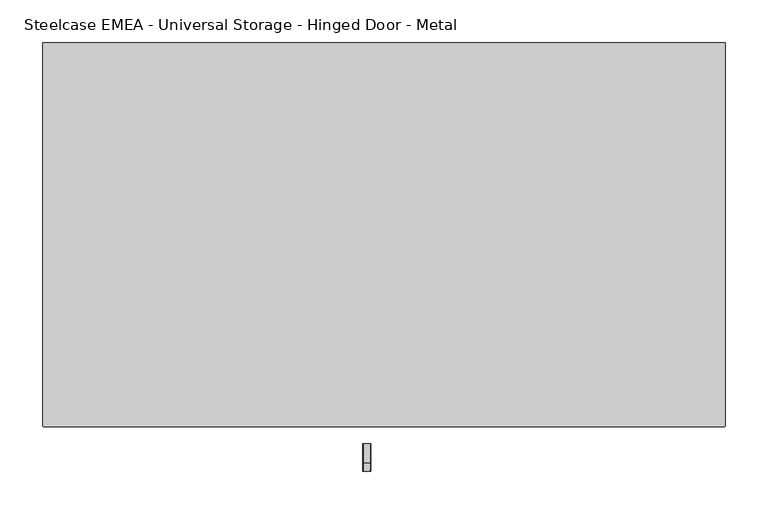
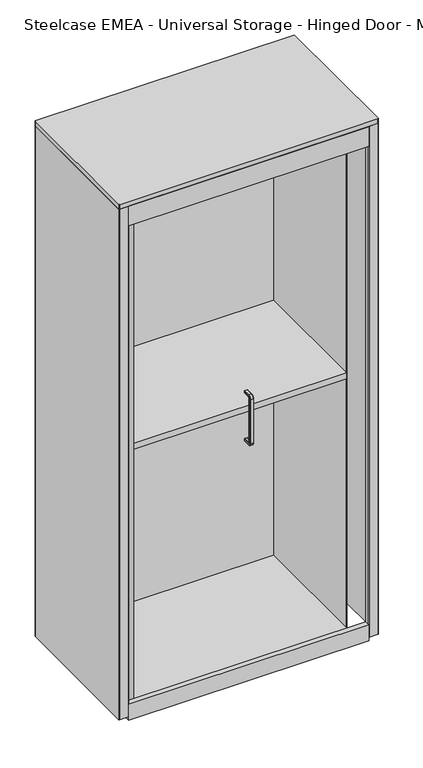
"""IFC4 building model written with IfcOpenShell, lengths in millimetres: furniture geometry, Steelcase EMEA - Universal Storage - Hinged Door - Metal."""

from ifc_helpers import new_model, si_unit, point, frame, frame_2d, origin, place, context, project, spatial, polyline, circle_curve, ellipse_curve, trimmed, segment, composite_curve, outline, extrude, source, transform, mapped, element, save
from ifc_brep_helpers import plane_surface, cylinder_surface, revolved_surface, advanced_brep


def steelcase_emea_universal_storage_hinged_door_metal_78cfa5af(model_context):
    return source(origin(), model_context, "Body", "SolidModel", [
        advanced_brep(
        [(-17.2414116, -245.0, 966.95), (-23.1585884, -245.0, 966.95), (-25.1585884, -245.0, 968.95), (-25.1585884, -245.0, 973.9674524), (-24.1587407, -245.0, 974.95), (-16.2412593, -245.0, 974.95), (-15.2414116, -245.0, 973.9674524), (-15.2414116, -245.0, 968.95), (-17.2414116, -267.0318401, 966.95), (-23.1585884, -267.0318401, 966.95), (-25.1585884, -267.0318401, 973.9674524), (-24.1587407, -267.0318401, 974.95), (-16.2412593, -267.0318401, 974.95), (-15.2414116, -267.0318401, 973.9674524), (-23.1585884, -269.0318401, 964.95), (-17.2414116, -269.0318401, 964.95), (-24.1587407, -277.0318401, 964.95), (-25.1585884, -276.0492925, 964.95), (-16.2412593, -277.0318401, 964.95), (-15.2414116, -276.0492925, 964.95), (-17.2414116, -269.0318401, 820.8885036), (-23.1585884, -269.0318401, 820.8885036), (-25.1585884, -276.0492925, 820.8885036), (-24.1587407, -277.0318401, 820.8885036), (-16.2412593, -277.0318401, 820.8885036), (-15.2414116, -276.0492925, 820.8885036), (-23.1585884, -267.0318401, 818.8885036), (-17.2414116, -267.0318401, 818.8885036), (-24.1587407, -267.0318401, 810.8885036), (-25.1585884, -267.0318401, 811.8710512), (-16.2412593, -267.0318401, 810.8885036), (-15.2414116, -267.0318401, 811.8710512), (-17.2414116, -245.0, 818.8885036), (-15.2414116, -245.0, 816.8885036), (-15.2414116, -245.0, 811.8710512), (-16.2412593, -245.0, 810.8885036), (-24.1587407, -245.0, 810.8885036), (-25.1585884, -245.0, 811.8710512), (-25.1585884, -245.0, 816.8885036), (-23.1585884, -245.0, 818.8885036), (-25.1585884, -267.0318401, 968.95), (-25.1585884, -271.0318401, 964.95), (-25.1585884, -271.0318401, 820.8885036), (-25.1585884, -267.0318401, 816.8885036), (-15.2414116, -267.0318401, 816.8885036), (-15.2414116, -271.0318401, 820.8885036), (-15.2414116, -271.0318401, 964.95), (-15.2414116, -267.0318401, 968.95)],
        [
            (0, 1),
            (1, 2, circle_curve(frame((-23.1585884, -245.0, 968.95), z_axis=(0.0, 1.0, 0.0), x_axis=(-1.0, 0.0, 0.0)), 2.0)),
            (2, 3),
            (3, 4, circle_curve(frame((-24.1587407, -245.0, 973.95), z_axis=(0.0, 1.0, 0.0), x_axis=(-1.0, 0.0, 0.0)), 1.0)),
            (4, 5),
            (5, 6, circle_curve(frame((-16.2412593, -245.0, 973.95), z_axis=(0.0, 1.0, 0.0), x_axis=(-1.0, 0.0, 0.0)), 1.0)),
            (6, 7),
            (7, 0, circle_curve(frame((-17.2414116, -245.0, 968.95), z_axis=(0.0, 1.0, 0.0), x_axis=(-1.0, 0.0, 0.0)), 2.0)),
            (0, 8),
            (8, 9),
            (9, 1),
            (3, 10),
            (10, 11, circle_curve(frame((-24.1587407, -267.0318401, 973.95), z_axis=(0.0, 1.0, 0.0), x_axis=(-1.0, 0.0, 0.0)), 1.0)),
            (11, 4),
            (11, 12),
            (12, 5),
            (12, 13, circle_curve(frame((-16.2412593, -267.0318401, 973.95), z_axis=(0.0, 1.0, 0.0), x_axis=(-1.0, 0.0, 0.0)), 1.0)),
            (13, 6),
            (14, 9, circle_curve(frame((-23.1585884, -267.0318401, 964.95), z_axis=(-1.0, 0.0, 0.0), x_axis=(0.0, 0.0, 1.0)), 2.0)),
            (8, 15, circle_curve(frame((-17.2414116, -267.0318401, 964.95), z_axis=(1.0, 0.0, 0.0), x_axis=(0.0, 0.0, 1.0)), 2.0)),
            (15, 14),
            (16, 11, circle_curve(frame((-24.1587407, -267.0318401, 964.95), z_axis=(-1.0, 0.0, 0.0), x_axis=(0.0, 0.0, 1.0)), 10.0)),
            (10, 17, circle_curve(frame((-25.1585884, -267.0318401, 964.95), z_axis=(1.0, 0.0, 0.0), x_axis=(0.0, 0.0, 1.0)), 9.0174524)),
            (17, 16, circle_curve(frame((-24.1587407, -276.0318401, 964.95), z_axis=(0.0, 0.0, 1.0), x_axis=(-1.0, 0.0, 0.0)), 1.0)),
            (18, 12, circle_curve(frame((-16.2412593, -267.0318401, 964.95), z_axis=(-1.0, 0.0, 0.0), x_axis=(0.0, 0.0, 1.0)), 10.0)),
            (16, 18),
            (19, 13, circle_curve(frame((-15.2414116, -267.0318401, 964.95), z_axis=(-1.0, 0.0, 0.0), x_axis=(0.0, 0.0, 1.0)), 9.0174524)),
            (18, 19, circle_curve(frame((-16.2412593, -276.0318401, 964.95), z_axis=(0.0, 0.0, 1.0), x_axis=(-1.0, 0.0, 0.0)), 1.0)),
            (15, 20),
            (20, 21),
            (21, 14),
            (17, 22),
            (22, 23, circle_curve(frame((-24.1587407, -276.0318401, 820.8885036), z_axis=(0.0, 0.0, 1.0), x_axis=(-1.0, 0.0, 0.0)), 1.0)),
            (23, 16),
            (23, 24),
            (24, 18),
            (24, 25, circle_curve(frame((-16.2412593, -276.0318401, 820.8885036), z_axis=(0.0, 0.0, 1.0), x_axis=(-1.0, 0.0, 0.0)), 1.0)),
            (25, 19),
            (26, 21, circle_curve(frame((-23.1585884, -267.0318401, 820.8885036), z_axis=(-1.0, 0.0, 0.0), x_axis=(0.0, -1.0, 0.0)), 2.0)),
            (20, 27, circle_curve(frame((-17.2414116, -267.0318401, 820.8885036), z_axis=(1.0, 0.0, 0.0), x_axis=(0.0, -1.0, 0.0)), 2.0)),
            (27, 26),
            (28, 23, circle_curve(frame((-24.1587407, -267.0318401, 820.8885036), z_axis=(-1.0, 0.0, 0.0), x_axis=(0.0, -1.0, 0.0)), 10.0)),
            (22, 29, circle_curve(frame((-25.1585884, -267.0318401, 820.8885036), z_axis=(1.0, 0.0, 0.0), x_axis=(0.0, -1.0, 0.0)), 9.0174524)),
            (29, 28, circle_curve(frame((-24.1587407, -267.0318401, 811.8885036), z_axis=(0.0, -1.0, 0.0), x_axis=(-1.0, 0.0, 0.0)), 1.0)),
            (30, 24, circle_curve(frame((-16.2412593, -267.0318401, 820.8885036), z_axis=(-1.0, 0.0, 0.0), x_axis=(0.0, -1.0, 0.0)), 10.0)),
            (28, 30),
            (31, 25, circle_curve(frame((-15.2414116, -267.0318401, 820.8885036), z_axis=(-1.0, 0.0, 0.0), x_axis=(0.0, -1.0, 0.0)), 9.0174524)),
            (30, 31, circle_curve(frame((-16.2412593, -267.0318401, 811.8885036), z_axis=(0.0, -1.0, 0.0), x_axis=(-1.0, 0.0, 0.0)), 1.0)),
            (32, 33, circle_curve(frame((-17.2414116, -245.0, 816.8885036), z_axis=(0.0, 1.0, 0.0), x_axis=(-1.0, 0.0, 0.0)), 2.0)),
            (33, 34),
            (34, 35, circle_curve(frame((-16.2412593, -245.0, 811.8885036), z_axis=(0.0, 1.0, 0.0), x_axis=(-1.0, 0.0, 0.0)), 1.0)),
            (35, 36),
            (36, 37, circle_curve(frame((-24.1587407, -245.0, 811.8885036), z_axis=(0.0, 1.0, 0.0), x_axis=(-1.0, 0.0, 0.0)), 1.0)),
            (37, 38),
            (38, 39, circle_curve(frame((-23.1585884, -245.0, 816.8885036), z_axis=(0.0, 1.0, 0.0), x_axis=(-1.0, 0.0, 0.0)), 2.0)),
            (39, 32),
            (27, 32),
            (39, 26),
            (29, 37),
            (36, 28),
            (35, 30),
            (34, 31),
            (9, 40, circle_curve(frame((-23.1585884, -267.0318401, 968.95), z_axis=(0.0, 1.0, 0.0), x_axis=(-1.0, 0.0, 0.0)), 2.0)),
            (40, 2),
            (40, 41, circle_curve(frame((-25.1585884, -267.0318401, 964.95), z_axis=(1.0, 0.0, 0.0), x_axis=(0.0, 0.0, 1.0)), 4.0)),
            (41, 42),
            (42, 43, circle_curve(frame((-25.1585884, -267.0318401, 820.8885036), z_axis=(1.0, 0.0, 0.0), x_axis=(0.0, -1.0, 0.0)), 4.0)),
            (43, 38),
            (33, 44),
            (44, 45, circle_curve(frame((-15.2414116, -267.0318401, 820.8885036), z_axis=(-1.0, 0.0, 0.0), x_axis=(0.0, -1.0, 0.0)), 4.0)),
            (45, 46),
            (46, 47, circle_curve(frame((-15.2414116, -267.0318401, 964.95), z_axis=(-1.0, 0.0, 0.0), x_axis=(0.0, 0.0, 1.0)), 4.0)),
            (47, 7),
            (47, 8, circle_curve(frame((-17.2414116, -267.0318401, 968.95), z_axis=(0.0, 1.0, 0.0), x_axis=(-1.0, 0.0, 0.0)), 2.0)),
            (14, 41, circle_curve(frame((-23.1585884, -271.0318401, 964.95), z_axis=(0.0, 0.0, 1.0), x_axis=(-1.0, 0.0, 0.0)), 2.0)),
            (46, 15, circle_curve(frame((-17.2414116, -271.0318401, 964.95), z_axis=(0.0, 0.0, 1.0), x_axis=(-1.0, 0.0, 0.0)), 2.0)),
            (21, 42, circle_curve(frame((-23.1585884, -271.0318401, 820.8885036), z_axis=(0.0, 0.0, 1.0), x_axis=(-1.0, 0.0, 0.0)), 2.0)),
            (45, 20, circle_curve(frame((-17.2414116, -271.0318401, 820.8885036), z_axis=(0.0, 0.0, 1.0), x_axis=(-1.0, 0.0, 0.0)), 2.0)),
            (26, 43, circle_curve(frame((-23.1585884, -267.0318401, 816.8885036), z_axis=(0.0, -1.0, 0.0), x_axis=(-1.0, 0.0, 0.0)), 2.0)),
            (44, 27, circle_curve(frame((-17.2414116, -267.0318401, 816.8885036), z_axis=(0.0, -1.0, 0.0), x_axis=(-1.0, 0.0, 0.0)), 2.0)),
        ],
        [
            plane_surface(frame((-20.2, -245.0, 966.95), z_axis=(0.0, 1.0, 0.0), x_axis=(-1.0, 0.0, 0.0))),
            plane_surface(frame((-17.2414116, -245.0, 966.95), z_axis=(0.0, 0.0, -1.0), x_axis=(0.0, -1.0, 0.0))),
            cylinder_surface(frame((-24.1587407, -245.0, 973.95), z_axis=(0.0, 1.0, 0.0), x_axis=(-1.0, 0.0, 0.0)), 1.0),
            plane_surface(frame((-24.1587407, -245.0, 974.95), z_axis=(0.0, 0.0, 1.0), x_axis=(0.0, -1.0, 0.0))),
            cylinder_surface(frame((-16.2412593, -245.0, 973.95), z_axis=(0.0, 1.0, 0.0), x_axis=(-1.0, 0.0, 0.0)), 1.0),
            revolved_surface(polyline([(-17.2414116, -267.0318401, 966.95), (-23.1585884, -267.0318401, 966.95)]), (-20.2, -267.0318401, 964.95), (1.0, 0.0, 0.0)),
            revolved_surface(trimmed(ellipse_curve(frame((-24.1587407, -267.0318401, 973.95), z_axis=(0.0, 1.0, 0.0), x_axis=(-1.0, 0.0, 0.0)), 1.0, 1.0), [point((-25.1585884, -267.0318401, 973.9674524))], [point((-24.1587407, -267.0318401, 974.95))], True, "CARTESIAN"), (-20.2, -267.0318401, 964.95), (1.0, 0.0, 0.0)),
            cylinder_surface(frame((-20.2, -267.0318401, 964.95), z_axis=(1.0, 0.0, 0.0), x_axis=(0.0, 0.0, 1.0)), 10.0),
            revolved_surface(trimmed(ellipse_curve(frame((-16.2412593, -267.0318401, 973.95), z_axis=(0.0, 1.0, 0.0), x_axis=(-1.0, 0.0, 0.0)), 1.0, 1.0), [point((-16.2412593, -267.0318401, 974.95))], [point((-15.2414116, -267.0318401, 973.9674524))], True, "CARTESIAN"), (-20.2, -267.0318401, 964.95), (1.0, 0.0, 0.0)),
            plane_surface(frame((-17.2414116, -269.0318401, 964.95), z_axis=(0.0, 1.0, 0.0), x_axis=(0.0, 0.0, -1.0))),
            cylinder_surface(frame((-24.1587407, -276.0318401, 964.95), z_axis=(0.0, 0.0, 1.0), x_axis=(-1.0, 0.0, 0.0)), 1.0),
            plane_surface(frame((-24.1587407, -277.0318401, 964.95), z_axis=(0.0, -1.0, 0.0), x_axis=(0.0, 0.0, -1.0))),
            cylinder_surface(frame((-16.2412593, -276.0318401, 964.95), z_axis=(0.0, 0.0, 1.0), x_axis=(-1.0, 0.0, 0.0)), 1.0),
            revolved_surface(polyline([(-17.2414116, -269.0318401, 820.8885036), (-23.1585884, -269.0318401, 820.8885036)]), (-20.2, -267.0318401, 820.8885036), (1.0, 0.0, 0.0)),
            revolved_surface(trimmed(ellipse_curve(frame((-24.1587407, -276.0318401, 820.8885036), z_axis=(0.0, 0.0, 1.0), x_axis=(-1.0, 0.0, 0.0)), 1.0, 1.0), [point((-25.1585884, -276.0492925, 820.8885036))], [point((-24.1587407, -277.0318401, 820.8885036))], True, "CARTESIAN"), (-20.2, -267.0318401, 820.8885036), (1.0, 0.0, 0.0)),
            cylinder_surface(frame((-20.2, -267.0318401, 820.8885036), z_axis=(1.0, 0.0, 0.0), x_axis=(0.0, -1.0, 0.0)), 10.0),
            revolved_surface(trimmed(ellipse_curve(frame((-16.2412593, -276.0318401, 820.8885036), z_axis=(0.0, 0.0, 1.0), x_axis=(-1.0, 0.0, 0.0)), 1.0, 1.0), [point((-16.2412593, -277.0318401, 820.8885036))], [point((-15.2414116, -276.0492925, 820.8885036))], True, "CARTESIAN"), (-20.2, -267.0318401, 820.8885036), (1.0, 0.0, 0.0)),
            plane_surface(frame((-20.2, -245.0, 818.8885036), z_axis=(0.0, 1.0, 0.0), x_axis=(-1.0, 0.0, 0.0))),
            plane_surface(frame((-17.2414116, -267.0318401, 818.8885036), z_axis=(0.0, 0.0, 1.0), x_axis=(0.0, 1.0, 0.0))),
            cylinder_surface(frame((-24.1587407, -267.0318401, 811.8885036), z_axis=(0.0, -1.0, 0.0), x_axis=(-1.0, 0.0, 0.0)), 1.0),
            plane_surface(frame((-24.1587407, -267.0318401, 810.8885036), z_axis=(0.0, 0.0, -1.0), x_axis=(0.0, 1.0, 0.0))),
            cylinder_surface(frame((-16.2412593, -267.0318401, 811.8885036), z_axis=(0.0, -1.0, 0.0), x_axis=(-1.0, 0.0, 0.0)), 1.0),
            cylinder_surface(frame((-23.1585884, -245.0, 968.95), z_axis=(0.0, 1.0, 0.0), x_axis=(-1.0, 0.0, 0.0)), 2.0),
            plane_surface(frame((-25.1585884, -245.0, 968.95), z_axis=(-1.0, 0.0, 0.0), x_axis=(0.0, -1.0, 0.0))),
            plane_surface(frame((-15.2414116, -245.0, 973.9674524), z_axis=(1.0, 0.0, 0.0), x_axis=(0.0, -1.0, 0.0))),
            cylinder_surface(frame((-17.2414116, -245.0, 968.95), z_axis=(0.0, 1.0, 0.0), x_axis=(-1.0, 0.0, 0.0)), 2.0),
            revolved_surface(trimmed(ellipse_curve(frame((-23.1585884, -267.0318401, 968.95), z_axis=(0.0, 1.0, 0.0), x_axis=(-1.0, 0.0, 0.0)), 2.0, 2.0), [point((-23.1585884, -267.0318401, 966.95))], [point((-25.1585884, -267.0318401, 968.95))], True, "CARTESIAN"), (-20.2, -267.0318401, 964.95), (1.0, 0.0, 0.0)),
            revolved_surface(trimmed(ellipse_curve(frame((-17.2414116, -267.0318401, 968.95), z_axis=(0.0, 1.0, 0.0), x_axis=(-1.0, 0.0, 0.0)), 2.0, 2.0), [point((-15.2414116, -267.0318401, 968.95))], [point((-17.2414116, -267.0318401, 966.95))], True, "CARTESIAN"), (-20.2, -267.0318401, 964.95), (1.0, 0.0, 0.0)),
            cylinder_surface(frame((-23.1585884, -271.0318401, 964.95), z_axis=(0.0, 0.0, 1.0), x_axis=(-1.0, 0.0, 0.0)), 2.0),
            cylinder_surface(frame((-17.2414116, -271.0318401, 964.95), z_axis=(0.0, 0.0, 1.0), x_axis=(-1.0, 0.0, 0.0)), 2.0),
            revolved_surface(trimmed(ellipse_curve(frame((-23.1585884, -271.0318401, 820.8885036), z_axis=(0.0, 0.0, 1.0), x_axis=(-1.0, 0.0, 0.0)), 2.0, 2.0), [point((-23.1585884, -269.0318401, 820.8885036))], [point((-25.1585884, -271.0318401, 820.8885036))], True, "CARTESIAN"), (-20.2, -267.0318401, 820.8885036), (1.0, 0.0, 0.0)),
            revolved_surface(trimmed(ellipse_curve(frame((-17.2414116, -271.0318401, 820.8885036), z_axis=(0.0, 0.0, 1.0), x_axis=(-1.0, 0.0, 0.0)), 2.0, 2.0), [point((-15.2414116, -271.0318401, 820.8885036))], [point((-17.2414116, -269.0318401, 820.8885036))], True, "CARTESIAN"), (-20.2, -267.0318401, 820.8885036), (1.0, 0.0, 0.0)),
            cylinder_surface(frame((-23.1585884, -267.0318401, 816.8885036), z_axis=(0.0, -1.0, 0.0), x_axis=(-1.0, 0.0, 0.0)), 2.0),
            cylinder_surface(frame((-17.2414116, -267.0318401, 816.8885036), z_axis=(0.0, -1.0, 0.0), x_axis=(-1.0, 0.0, 0.0)), 2.0),
        ],
        [
            (0, [[1, 2, 3, 4, 5, 6, 7, 8]]),
            (1, [[-1, 9, 10, 11]]),
            (2, [[-4, 12, 13, 14]]),
            (3, [[-5, -14, 15, 16]]),
            (4, [[-6, -16, 17, 18]]),
            (5, [[19, -10, 20, 21]]),
            (6, [[22, -13, 23, 24]]),
            (7, [[25, -15, -22, 26]]),
            (8, [[27, -17, -25, 28]]),
            (9, [[-21, 29, 30, 31]]),
            (10, [[-24, 32, 33, 34]]),
            (11, [[-26, -34, 35, 36]]),
            (12, [[-28, -36, 37, 38]]),
            (13, [[39, -30, 40, 41]]),
            (14, [[42, -33, 43, 44]]),
            (15, [[45, -35, -42, 46]]),
            (16, [[47, -37, -45, 48]]),
            (17, [[49, 50, 51, 52, 53, 54, 55, 56]]),
            (18, [[-41, 57, -56, 58]]),
            (19, [[-44, 59, -53, 60]]),
            (20, [[-46, -60, -52, 61]]),
            (21, [[-48, -61, -51, 62]]),
            (22, [[-2, -11, 63, 64]]),
            (23, [[-3, -64, 65, 66, 67, 68, -54, -59, -43, -32, -23, -12]]),
            (24, [[-7, -18, -27, -38, -47, -62, -50, 69, 70, 71, 72, 73]]),
            (25, [[-8, -73, 74, -9]]),
            (26, [[-65, -63, -19, 75]]),
            (27, [[-20, -74, -72, 76]]),
            (28, [[-75, -31, 77, -66]]),
            (29, [[-76, -71, 78, -29]]),
            (30, [[-67, -77, -39, 79]]),
            (31, [[-40, -78, -70, 80]]),
            (32, [[-79, -58, -55, -68]]),
            (33, [[-80, -69, -49, -57]]),
        ],
    ),
        extrude(outline(polyline([(328.05, -179.2), (-328.05, -179.2), (-328.05, 211.0), (328.05, 211.0), (328.05, -179.2)])), frame((0.0, 0.0, 850.0), z_axis=(0.0, 0.0, 1.0), x_axis=(1.0, 0.0, 0.0)), (0.0, 0.0, 1.0), 20.0),
        extrude(outline(polyline([(-189.2, 36.5), (-189.2, 24.0), (-209.2, 24.0), (-209.2, 39.0), (-206.7, 39.0), (-206.7, 26.5), (-191.7, 26.5), (-191.7, 39.0), (211.0, 39.0), (211.0, 36.5), (-189.2, 36.5)])), frame((-328.0, 0.0, 0.0), z_axis=(1.0, 0.0, 0.0), x_axis=(0.0, 1.0, 0.0)), (0.0, 0.0, 1.0), 656.0),
        extrude(outline(polyline([(370.0, -209.2), (370.0, -225.0), (-370.0, -225.0), (-370.0, -209.2), (370.0, -209.2)])), frame((0.0, 0.0, 1620.95), z_axis=(0.0, 0.0, 1.0), x_axis=(1.0, 0.0, 0.0)), (0.0, 0.0, 1.0), 64.05),
        extrude(outline(polyline([(370.0, -209.2), (370.0, -225.0), (-370.0, -225.0), (-370.0, -209.2), (370.0, -209.2)])), frame((0.0, 0.0, 10.0), z_axis=(0.0, 0.0, 1.0), x_axis=(1.0, 0.0, 0.0)), (0.0, 0.0, 1.0), 52.0),
        extrude(outline(composite_curve([segment(polyline([(398.75, -225.0), (-398.75, -225.0)]), True, "CONTINUOUS"), segment(trimmed(circle_curve(frame_2d((-398.75, -223.75)), 1.25), [point((-398.75, -225.0))], [point((-400.0, -223.75))], False, "CARTESIAN"), True, "CONTINUOUS"), segment(polyline([(-400.0, -223.75), (-400.0, 223.75)]), True, "CONTINUOUS"), segment(trimmed(circle_curve(frame_2d((-398.75, 223.75)), 1.25), [point((-400.0, 223.75))], [point((-398.75, 225.0))], False, "CARTESIAN"), True, "CONTINUOUS"), segment(polyline([(-398.75, 225.0), (398.75, 225.0)]), True, "CONTINUOUS"), segment(trimmed(circle_curve(frame_2d((398.75, 223.75)), 1.25), [point((398.75, 225.0))], [point((400.0, 223.75))], False, "CARTESIAN"), True, "CONTINUOUS"), segment(polyline([(400.0, 223.75), (400.0, -223.75)]), True, "CONTINUOUS"), segment(trimmed(circle_curve(frame_2d((398.75, -223.75)), 1.25), [point((400.0, -223.75))], [point((398.75, -225.0))], False, "CARTESIAN"), True, "CONTINUOUS")], self_intersect=False)), frame((0.0, 0.0, 1685.0), z_axis=(0.0, 0.0, 1.0), x_axis=(1.0, 0.0, 0.0)), (0.0, 0.0, 1.0), 15.0),
        extrude(outline(polyline([(-329.3, 211.0), (-362.7, 211.0), (-362.7, 211.8), (362.7, 211.8), (362.7, 211.0), (329.3, 211.0), (329.3, -179.2), (328.05, -179.2), (328.05, 211.0), (-328.05, 211.0), (-328.05, -179.2), (-329.3, -179.2), (-329.3, 211.0)])), frame((0.0, 0.0, 21.0), z_axis=(0.0, 0.0, 1.0), x_axis=(1.0, 0.0, 0.0)), (0.0, 0.0, 1.0), 1664.0),
        extrude(outline(composite_curve([segment(trimmed(circle_curve(frame_2d((-362.25, 223.75)), 1.25), [point((-363.5, 223.75))], [point((-362.25, 225.0))], False, "CARTESIAN"), True, "CONTINUOUS"), segment(polyline([(-362.25, 225.0), (362.25, 225.0)]), True, "CONTINUOUS"), segment(trimmed(circle_curve(frame_2d((362.25, 223.75)), 1.25), [point((362.25, 225.0))], [point((363.5, 223.75))], False, "CARTESIAN"), True, "CONTINUOUS"), segment(polyline([(363.5, 223.75), (363.5, 211.0), (362.7, 211.0), (362.7, 224.2), (-362.7, 224.2), (-362.7, 211.0), (-363.5, 211.0), (-363.5, 223.75)]), True, "CONTINUOUS")], self_intersect=False)), frame((0.0, 0.0, 21.0), z_axis=(0.0, 0.0, 1.0), x_axis=(1.0, 0.0, 0.0)), (0.0, 0.0, 1.0), 1664.0),
        extrude(outline(composite_curve([segment(trimmed(circle_curve(frame_2d((-371.25, -223.75)), 1.25), [point((-370.0, -223.75))], [point((-371.25, -225.0))], False, "CARTESIAN"), True, "CONTINUOUS"), segment(polyline([(-371.25, -225.0), (-398.75, -225.0)]), True, "CONTINUOUS"), segment(trimmed(circle_curve(frame_2d((-398.75, -223.75)), 1.25), [point((-398.75, -225.0))], [point((-400.0, -223.75))], False, "CARTESIAN"), True, "CONTINUOUS"), segment(polyline([(-400.0, -223.75), (-400.0, 223.75)]), True, "CONTINUOUS"), segment(trimmed(circle_curve(frame_2d((-398.75, 223.75)), 1.25), [point((-400.0, 223.75))], [point((-398.75, 225.0))], False, "CARTESIAN"), True, "CONTINUOUS"), segment(polyline([(-398.75, 225.0), (-364.75, 225.0)]), True, "CONTINUOUS"), segment(trimmed(circle_curve(frame_2d((-364.75, 223.75)), 1.25), [point((-364.75, 225.0))], [point((-363.5, 223.75))], False, "CARTESIAN"), True, "CONTINUOUS"), segment(polyline([(-363.5, 223.75), (-363.5, 210.45)]), True, "CONTINUOUS"), segment(trimmed(circle_curve(frame_2d((-364.75, 210.45)), 1.25), [point((-363.5, 210.45))], [point((-364.75, 209.2))], False, "CARTESIAN"), True, "CONTINUOUS"), segment(polyline([(-364.75, 209.2), (-369.5, 209.2), (-369.5, 210.0), (-364.3, 210.0), (-364.3, 224.2), (-399.2, 224.2), (-399.2, -224.2), (-370.8, -224.2), (-370.8, -211.0), (-370.0, -211.0), (-370.0, -223.75)]), True, "CONTINUOUS")], self_intersect=False)), frame((0.0, 0.0, 21.0), z_axis=(0.0, 0.0, 1.0), x_axis=(1.0, 0.0, 0.0)), (0.0, 0.0, 1.0), 1664.0),
        extrude(outline(composite_curve([segment(polyline([(370.0, -223.75), (370.0, -211.0), (370.8, -211.0), (370.8, -224.2), (399.2, -224.2), (399.2, 224.2), (364.3, 224.2), (364.3, 210.0), (369.5, 210.0), (369.5, 209.2), (364.75, 209.2)]), True, "CONTINUOUS"), segment(trimmed(circle_curve(frame_2d((364.75, 210.45)), 1.25), [point((364.75, 209.2))], [point((363.5, 210.45))], False, "CARTESIAN"), True, "CONTINUOUS"), segment(polyline([(363.5, 210.45), (363.5, 223.75)]), True, "CONTINUOUS"), segment(trimmed(circle_curve(frame_2d((364.75, 223.75)), 1.25), [point((363.5, 223.75))], [point((364.75, 225.0))], False, "CARTESIAN"), True, "CONTINUOUS"), segment(polyline([(364.75, 225.0), (398.75, 225.0)]), True, "CONTINUOUS"), segment(trimmed(circle_curve(frame_2d((398.75, 223.75)), 1.25), [point((398.75, 225.0))], [point((400.0, 223.75))], False, "CARTESIAN"), True, "CONTINUOUS"), segment(polyline([(400.0, 223.75), (400.0, -223.75)]), True, "CONTINUOUS"), segment(trimmed(circle_curve(frame_2d((398.75, -223.75)), 1.25), [point((400.0, -223.75))], [point((398.75, -225.0))], False, "CARTESIAN"), True, "CONTINUOUS"), segment(polyline([(398.75, -225.0), (371.25, -225.0)]), True, "CONTINUOUS"), segment(trimmed(circle_curve(frame_2d((371.25, -223.75)), 1.25), [point((371.25, -225.0))], [point((370.0, -223.75))], False, "CARTESIAN"), True, "CONTINUOUS")], self_intersect=False)), frame((0.0, 0.0, 21.0), z_axis=(0.0, 0.0, 1.0), x_axis=(1.0, 0.0, 0.0)), (0.0, 0.0, 1.0), 1664.0),
    ])


if __name__ == "__main__":
    model = new_model("IFC4")
    model_context = context("Model", 3, world=origin())
    ifc_project = project(units=[si_unit("LENGTHUNIT", "METRE", prefix="MILLI")], contexts=[model_context])
    site = spatial("IfcSite", under=ifc_project)
    building = spatial("IfcBuilding", under=site)
    placement = place(None, origin())
    steelcase_emea_universal_storage_hinged_door_metal_shape = steelcase_emea_universal_storage_hinged_door_metal_78cfa5af(model_context)
    element("IfcFurniture", 1, ObjectType="Steelcase EMEA - Universal Storage - Hinged Door - Metal", at=placement, inside=building, context=model_context, shape_type="MappedRepresentation", body=[
        mapped(steelcase_emea_universal_storage_hinged_door_metal_shape, transform((0.0, 0.0, 0.0), x_axis=(1.0, 0.0, 0.0), y_axis=(0.0, 1.0, 0.0), z_axis=(0.0, 0.0, 1.0))),
    ])
    save(model, "model.ifc")
